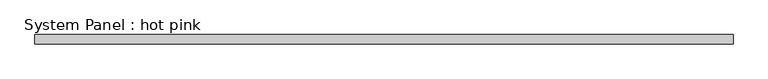
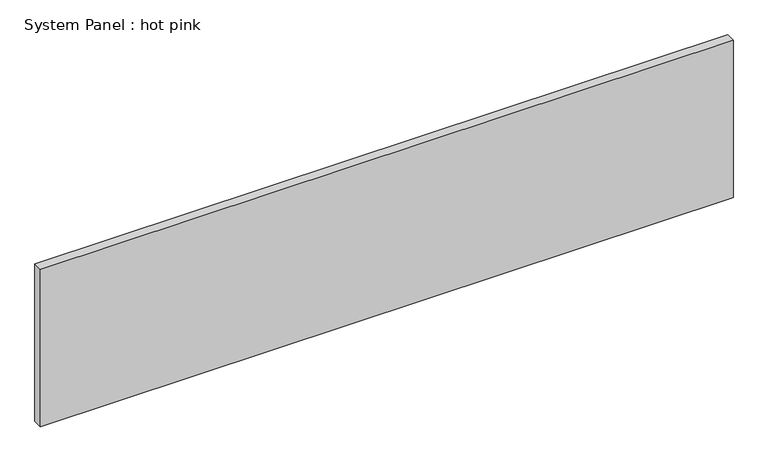
"""IFC4 building model written with IfcOpenShell, lengths in millimetres: plate geometry, System Panel : hot pink."""

from ifc_helpers import new_model, si_unit, origin, origin_with_axes, place, context, project, spatial, polyline, outline, extrude, source, transform, mapped, element, save


def system_panel_hot_pink_8d7b45a4(model_context):
    return source(origin(), model_context, "Body", "SweptSolid", [
        extrude(outline(polyline([(2339.6172358, -19.05), (-2339.6172358, -19.05), (-2339.6172358, 44.45), (2339.6172358, 44.45), (2339.6172358, -19.05)])), origin_with_axes(), (0.0, 0.0, 1.0), 1123.95),
    ])


if __name__ == "__main__":
    model = new_model("IFC4")
    model_context = context("Model", 3, world=origin())
    ifc_project = project(units=[si_unit("LENGTHUNIT", "METRE", prefix="MILLI")], contexts=[model_context])
    site = spatial("IfcSite", under=ifc_project)
    building = spatial("IfcBuilding", under=site)
    placement = place(None, origin())
    system_panel_hot_pink_shape = system_panel_hot_pink_8d7b45a4(model_context)
    element("IfcPlate", 1, ObjectType="System Panel : hot pink", at=placement, inside=building, context=model_context, shape_type="MappedRepresentation", body=[
        mapped(system_panel_hot_pink_shape, transform((0.0, 0.0, 0.0), x_axis=(1.0, 0.0, 0.0), y_axis=(0.0, 1.0, 0.0), z_axis=(0.0, 0.0, 1.0))),
    ])
    save(model, "model.ifc")
